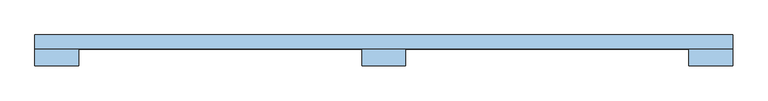
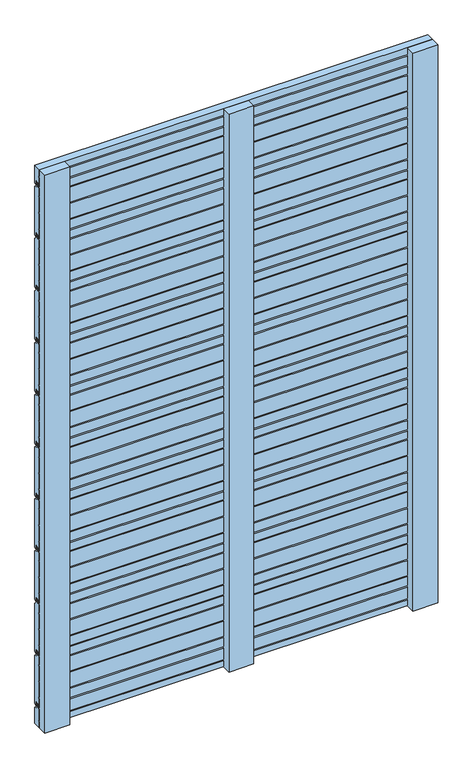
"""IFC4 building model written with IfcOpenShell, lengths in millimetres: window geometry."""

import ifcopenshell
import ifcopenshell.guid

model = None  # the IFC model being written
_history = None  # IfcOwnerHistory: only IFC2X3 demands one
_inside = {}  # id of a spatial element -> (the spatial element, [elements in it])
_under = {}  # id of a project, library or spatial element -> (it, [spatial elements below it])
_declared = {}  # id of a project -> (the project, [libraries it declares])
_typed = {}  # id of a type object -> (the type object, [elements of that type])
_made_of = {}  # id of a material, layer set ... -> (it, [elements and type objects made of it])


def new_model(schema):
    """Start an empty IFC model of exactly this schema.

    Asked for "IFC4X3", IfcOpenShell would pick the latest addendum, in which some entities
    have other attributes; the version numbers below select the first issue.
    IFC2X3 requires an IfcOwnerHistory on every rooted entity: one is made here for all.
    """
    global model, _history
    if schema == "IFC4X3":
        model = ifcopenshell.file(schema_version=(4, 3, 0, 0))
    else:
        model = ifcopenshell.file(schema=schema)
    _inside.clear()
    _under.clear()
    _declared.clear()
    _typed.clear()
    _made_of.clear()
    _history = None
    if model.schema == "IFC2X3":
        org = make("IfcOrganization", Name="unknown")
        user = make(
            "IfcPersonAndOrganization",
            ThePerson=make("IfcPerson", FamilyName="unknown"),
            TheOrganization=org,
        )
        app = make(
            "IfcApplication",
            ApplicationDeveloper=org,
            Version="unknown",
            ApplicationFullName="unknown",
            ApplicationIdentifier="unknown",
        )
        _history = make(
            "IfcOwnerHistory",
            OwningUser=user,
            OwningApplication=app,
            ChangeAction="ADDED",
            CreationDate=0,
        )
    return model


def make(cls, **values):
    """One entity of the class cls with the attributes given. An attribute that is None is left unset."""
    return model.create_entity(
        cls, **{name: value for name, value in values.items() if value is not None}
    )


def rooted(cls, **values):
    """An entity with a GlobalId (a new one), such as an element, a storey or a relation."""
    return make(cls, GlobalId=ifcopenshell.guid.new(), OwnerHistory=_history, **values)


def si_unit(unit_type, name, prefix=None):
    """IfcSIUnit, for example si_unit("LENGTHUNIT", "METRE", prefix="MILLI")."""
    return make("IfcSIUnit", UnitType=unit_type, Prefix=prefix, Name=name)


def assignment(units):
    """IfcUnitAssignment: the units of a project."""
    return None if units is None else make("IfcUnitAssignment", Units=units)


def point(xyz):
    """IfcCartesianPoint."""
    return None if xyz is None else make("IfcCartesianPoint", Coordinates=xyz)


def direction(xyz):
    """IfcDirection."""
    return None if xyz is None else make("IfcDirection", DirectionRatios=xyz)


def frame(location, z_axis=None, x_axis=None):
    """IfcAxis2Placement3D, a coordinate frame: its origin and axes. An axis left out is left unset."""
    return make(
        "IfcAxis2Placement3D",
        Location=point(location),
        Axis=direction(z_axis),
        RefDirection=direction(x_axis),
    )


def origin():
    """The frame at (0, 0, 0) with its axes left unset."""
    return frame((0.0, 0.0, 0.0))


def place(relative_to, where):
    """IfcLocalPlacement: puts the frame where relative to a parent placement (None: the world)."""
    return make(
        "IfcLocalPlacement", PlacementRelTo=relative_to, RelativePlacement=where
    )


def context(
    kind, dimensions, precision=None, world=None, true_north=None, identifier=None
):
    """IfcGeometricRepresentationContext, for example the 3D "Model" context."""
    return make(
        "IfcGeometricRepresentationContext",
        ContextIdentifier=identifier,
        ContextType=kind,
        CoordinateSpaceDimension=dimensions,
        Precision=precision,
        WorldCoordinateSystem=world,
        TrueNorth=true_north,
    )


def project(units=None, contexts=None):
    """IfcProject with its units and contexts."""
    return rooted(
        "IfcProject",
        Name="project",
        RepresentationContexts=contexts,
        UnitsInContext=assignment(units),
    )


def spatial(cls, under=None, at=None, **own):
    """A site, building, storey or space (cls), placed at a placement, below another one or the project."""
    s = rooted(cls, ObjectPlacement=at, **own)
    if under is not None:
        _under.setdefault(under.id(), (under, []))[1].append(s)
    return s


def polyline(points):
    """IfcPolyline through the points."""
    return make("IfcPolyline", Points=[point(p) for p in points])


def outline(outer, holes=None, kind="AREA"):
    """IfcArbitraryClosedProfileDef: a profile drawn as a closed curve; with holes, ...WithVoids."""
    if holes is None:
        return make("IfcArbitraryClosedProfileDef", ProfileType=kind, OuterCurve=outer)
    return make(
        "IfcArbitraryProfileDefWithVoids",
        ProfileType=kind,
        OuterCurve=outer,
        InnerCurves=holes,
    )


def extrude(swept, where, along, depth):
    """IfcExtrudedAreaSolid: the profile swept, set in the frame where, extruded along a direction by depth."""
    return make(
        "IfcExtrudedAreaSolid",
        SweptArea=swept,
        Position=where,
        ExtrudedDirection=direction(along),
        Depth=depth,
    )


def shape(context_of_items, identifier, shape_type, items):
    """IfcShapeRepresentation: the items that make up one representation, for example the "Body"."""
    return make(
        "IfcShapeRepresentation",
        ContextOfItems=context_of_items,
        RepresentationIdentifier=identifier,
        RepresentationType=shape_type,
        Items=items,
    )


def source(mapping_origin, context_of_items, identifier, shape_type, items):
    """IfcRepresentationMap: a shape defined once, which mapped items show again and again."""
    return make(
        "IfcRepresentationMap",
        MappingOrigin=mapping_origin,
        MappedRepresentation=shape(context_of_items, identifier, shape_type, items),
    )


def transform(
    local_origin,
    x_axis=None,
    y_axis=None,
    z_axis=None,
    scale=None,
    scale2=None,
    scale3=None,
    uniform=True,
):
    """IfcCartesianTransformationOperator3D, or its non-uniform kind. x_axis, y_axis, z_axis: its Axis1, 2, 3."""
    if uniform:
        return make(
            "IfcCartesianTransformationOperator3D",
            Axis1=direction(x_axis),
            Axis2=direction(y_axis),
            LocalOrigin=point(local_origin),
            Scale=scale,
            Axis3=direction(z_axis),
        )
    return make(
        "IfcCartesianTransformationOperator3DnonUniform",
        Axis1=direction(x_axis),
        Axis2=direction(y_axis),
        LocalOrigin=point(local_origin),
        Scale=scale,
        Axis3=direction(z_axis),
        Scale2=scale2,
        Scale3=scale3,
    )


def mapped(mapping_source, mapping_target):
    """IfcMappedItem: shows the shape of a source again, moved by a transform."""
    return make(
        "IfcMappedItem", MappingSource=mapping_source, MappingTarget=mapping_target
    )


def made_of(thing, what):
    """Note that an element or type object is made of a material, layer set ...; save() writes the relation."""
    if what is not None:
        _made_of.setdefault(what.id(), (what, []))[1].append(thing)
    return thing


def element(
    cls,
    number,
    at=None,
    inside=None,
    cuts=None,
    type_object=None,
    material=None,
    context=None,
    identifier="Body",
    shape_type=None,
    held_by="IfcProductDefinitionShape",
    body=None,
    shapes=None,
    **own,
):
    """One element of the class cls, such as IfcWall. Its Tag is "e" and its number.

    at: its placement. inside: the storey or other place that contains it. cuts: it is an
    opening in that element (IfcRelVoidsElement). A single representation is given by context,
    identifier, shape_type and body (its items); several are given by shapes. held_by: the class
    of the entity that holds the representations. save() writes the other relations.
    """
    e = rooted(cls, Tag="e%d" % number, ObjectPlacement=at, **own)
    if body is not None:
        shapes = [shape(context, identifier, shape_type, body)]
    if shapes is not None:
        e.Representation = make(held_by, Representations=shapes)
    if inside is not None:
        _inside.setdefault(inside.id(), (inside, []))[1].append(e)
    if cuts is not None:
        rooted(
            "IfcRelVoidsElement", RelatingBuildingElement=cuts, RelatedOpeningElement=e
        )
    if type_object is not None:
        _typed.setdefault(type_object.id(), (type_object, []))[1].append(e)
    return made_of(e, material)


def aggregate(whole, parts):
    """IfcRelAggregates: a whole, such as a stair, and the parts it consists of."""
    return rooted("IfcRelAggregates", RelatingObject=whole, RelatedObjects=parts)


def save(model, path):
    """Write the relations noted so far, then the file.

    IfcRelAggregates (storeys below a building ...), IfcRelContainedInSpatialStructure (elements
    in a storey), IfcRelDefinesByType, IfcRelAssociatesMaterial and IfcRelDeclares: one each for
    every whole, place, type object, material and project.
    """
    for whole, parts in _under.values():
        aggregate(whole, parts)
    for where, things in _inside.values():
        rooted(
            "IfcRelContainedInSpatialStructure",
            RelatedElements=things,
            RelatingStructure=where,
        )
    for kind, things in _typed.values():
        rooted("IfcRelDefinesByType", RelatedObjects=things, RelatingType=kind)
    for what, things in _made_of.values():
        rooted("IfcRelAssociatesMaterial", RelatedObjects=things, RelatingMaterial=what)
    for by, libraries in _declared.values():
        rooted("IfcRelDeclares", RelatingContext=by, RelatedDefinitions=libraries)
    model.write(path)


def window_ad089da8(model_context):
    return source(origin(), model_context, "Body", "SweptSolid", [
        extrude(outline(polyline([(50.0, 153.0), (47.0, 150.0), (43.0, 150.0), (43.0, 162.0), (37.0, 162.0), (37.0, 154.0), (30.0, 154.0), (30.0, 178.25), (36.0, 178.25), (36.0, 181.75), (30.0, 181.75), (30.0, 221.8110702), (36.0, 221.8110702), (36.0, 225.3110702), (30.0, 225.3110702), (30.0, 265.3721403), (36.0, 265.3721403), (36.0, 268.8721403), (30.0, 268.8721403), (30.0, 290.0), (37.0, 290.0), (37.0, 300.0), (43.0, 300.0), (43.0, 286.0), (47.0, 286.0), (50.0, 283.0), (50.0, 153.0)])), frame((-500.0, 0.0, 0.0), z_axis=(1.0, 0.0, 0.0), x_axis=(0.0, 1.0, 0.0)), (0.0, 0.0, 1.0), 1000.0),
        extrude(outline(polyline([(50.0, 293.0), (47.0, 290.0), (43.0, 290.0), (43.0, 302.0), (37.0, 302.0), (37.0, 294.0), (30.0, 294.0), (30.0, 318.25), (36.0, 318.25), (36.0, 321.75), (30.0, 321.75), (30.0, 361.8110702), (36.0, 361.8110702), (36.0, 365.3110702), (30.0, 365.3110702), (30.0, 405.3721403), (36.0, 405.3721403), (36.0, 408.8721403), (30.0, 408.8721403), (30.0, 430.0), (37.0, 430.0), (37.0, 440.0), (43.0, 440.0), (43.0, 426.0), (47.0, 426.0), (50.0, 423.0), (50.0, 293.0)])), frame((-500.0, 0.0, 0.0), z_axis=(1.0, 0.0, 0.0), x_axis=(0.0, 1.0, 0.0)), (0.0, 0.0, 1.0), 1000.0),
        extrude(outline(polyline([(50.0, 433.0), (47.0, 430.0), (43.0, 430.0), (43.0, 442.0), (37.0, 442.0), (37.0, 434.0), (30.0, 434.0), (30.0, 458.25), (36.0, 458.25), (36.0, 461.75), (30.0, 461.75), (30.0, 501.8110702), (36.0, 501.8110702), (36.0, 505.3110702), (30.0, 505.3110702), (30.0, 545.3721403), (36.0, 545.3721403), (36.0, 548.8721403), (30.0, 548.8721403), (30.0, 570.0), (37.0, 570.0), (37.0, 580.0), (43.0, 580.0), (43.0, 566.0), (47.0, 566.0), (50.0, 563.0), (50.0, 433.0)])), frame((-500.0, 0.0, 0.0), z_axis=(1.0, 0.0, 0.0), x_axis=(0.0, 1.0, 0.0)), (0.0, 0.0, 1.0), 1000.0),
        extrude(outline(polyline([(50.0, 573.0), (47.0, 570.0), (43.0, 570.0), (43.0, 582.0), (37.0, 582.0), (37.0, 574.0), (30.0, 574.0), (30.0, 598.25), (36.0, 598.25), (36.0, 601.75), (30.0, 601.75), (30.0, 641.8110702), (36.0, 641.8110702), (36.0, 645.3110702), (30.0, 645.3110702), (30.0, 685.3721403), (36.0, 685.3721403), (36.0, 688.8721403), (30.0, 688.8721403), (30.0, 710.0), (37.0, 710.0), (37.0, 720.0), (43.0, 720.0), (43.0, 706.0), (47.0, 706.0), (50.0, 703.0), (50.0, 573.0)])), frame((-500.0, 0.0, 0.0), z_axis=(1.0, 0.0, 0.0), x_axis=(0.0, 1.0, 0.0)), (0.0, 0.0, 1.0), 1000.0),
        extrude(outline(polyline([(50.0, 713.0), (47.0, 710.0), (43.0, 710.0), (43.0, 722.0), (37.0, 722.0), (37.0, 714.0), (30.0, 714.0), (30.0, 738.25), (36.0, 738.25), (36.0, 741.75), (30.0, 741.75), (30.0, 781.8110702), (36.0, 781.8110702), (36.0, 785.3110702), (30.0, 785.3110702), (30.0, 825.3721403), (36.0, 825.3721403), (36.0, 828.8721403), (30.0, 828.8721403), (30.0, 850.0), (37.0, 850.0), (37.0, 860.0), (43.0, 860.0), (43.0, 846.0), (47.0, 846.0), (50.0, 843.0), (50.0, 713.0)])), frame((-500.0, 0.0, 0.0), z_axis=(1.0, 0.0, 0.0), x_axis=(0.0, 1.0, 0.0)), (0.0, 0.0, 1.0), 1000.0),
        extrude(outline(polyline([(50.0, 853.0), (47.0, 850.0), (43.0, 850.0), (43.0, 862.0), (37.0, 862.0), (37.0, 854.0), (30.0, 854.0), (30.0, 878.25), (36.0, 878.25), (36.0, 881.75), (30.0, 881.75), (30.0, 921.8110702), (36.0, 921.8110702), (36.0, 925.3110702), (30.0, 925.3110702), (30.0, 965.3721403), (36.0, 965.3721403), (36.0, 968.8721403), (30.0, 968.8721403), (30.0, 990.0), (37.0, 990.0), (37.0, 1000.0), (43.0, 1000.0), (43.0, 986.0), (47.0, 986.0), (50.0, 983.0), (50.0, 853.0)])), frame((-500.0, 0.0, 0.0), z_axis=(1.0, 0.0, 0.0), x_axis=(0.0, 1.0, 0.0)), (0.0, 0.0, 1.0), 1000.0),
        extrude(outline(polyline([(50.0, 993.0), (47.0, 990.0), (43.0, 990.0), (43.0, 1002.0), (37.0, 1002.0), (37.0, 994.0), (30.0, 994.0), (30.0, 1018.25), (36.0, 1018.25), (36.0, 1021.75), (30.0, 1021.75), (30.0, 1061.8110702), (36.0, 1061.8110702), (36.0, 1065.3110702), (30.0, 1065.3110702), (30.0, 1105.3721403), (36.0, 1105.3721403), (36.0, 1108.8721403), (30.0, 1108.8721403), (30.0, 1130.0), (37.0, 1130.0), (37.0, 1140.0), (43.0, 1140.0), (43.0, 1126.0), (47.0, 1126.0), (50.0, 1123.0), (50.0, 993.0)])), frame((-500.0, 0.0, 0.0), z_axis=(1.0, 0.0, 0.0), x_axis=(0.0, 1.0, 0.0)), (0.0, 0.0, 1.0), 1000.0),
        extrude(outline(polyline([(50.0, 1133.0), (47.0, 1130.0), (43.0, 1130.0), (43.0, 1142.0), (37.0, 1142.0), (37.0, 1134.0), (30.0, 1134.0), (30.0, 1158.25), (36.0, 1158.25), (36.0, 1161.75), (30.0, 1161.75), (30.0, 1201.8110702), (36.0, 1201.8110702), (36.0, 1205.3110702), (30.0, 1205.3110702), (30.0, 1245.3721403), (36.0, 1245.3721403), (36.0, 1248.8721403), (30.0, 1248.8721403), (30.0, 1270.0), (37.0, 1270.0), (37.0, 1280.0), (43.0, 1280.0), (43.0, 1266.0), (47.0, 1266.0), (50.0, 1263.0), (50.0, 1133.0)])), frame((-500.0, 0.0, 0.0), z_axis=(1.0, 0.0, 0.0), x_axis=(0.0, 1.0, 0.0)), (0.0, 0.0, 1.0), 1000.0),
        extrude(outline(polyline([(50.0, 1273.0), (47.0, 1270.0), (43.0, 1270.0), (43.0, 1282.0), (37.0, 1282.0), (37.0, 1274.0), (30.0, 1274.0), (30.0, 1298.25), (36.0, 1298.25), (36.0, 1301.75), (30.0, 1301.75), (30.0, 1341.8110702), (36.0, 1341.8110702), (36.0, 1345.3110702), (30.0, 1345.3110702), (30.0, 1385.3721403), (36.0, 1385.3721403), (36.0, 1388.8721403), (30.0, 1388.8721403), (30.0, 1410.0), (37.0, 1410.0), (37.0, 1420.0), (43.0, 1420.0), (43.0, 1406.0), (47.0, 1406.0), (50.0, 1403.0), (50.0, 1273.0)])), frame((-500.0, 0.0, 0.0), z_axis=(1.0, 0.0, 0.0), x_axis=(0.0, 1.0, 0.0)), (0.0, 0.0, 1.0), 1000.0),
        extrude(outline(polyline([(50.0, 1413.0), (47.0, 1410.0), (43.0, 1410.0), (43.0, 1422.0), (37.0, 1422.0), (37.0, 1414.0), (30.0, 1414.0), (30.0, 1438.25), (36.0, 1438.25), (36.0, 1441.75), (30.0, 1441.75), (30.0, 1481.8110702), (36.0, 1481.8110702), (36.0, 1485.3110702), (30.0, 1485.3110702), (30.0, 1525.3721403), (36.0, 1525.3721403), (36.0, 1528.8721403), (30.0, 1528.8721403), (30.0, 1550.0), (37.0, 1550.0), (37.0, 1560.0), (43.0, 1560.0), (43.0, 1546.0), (47.0, 1546.0), (50.0, 1543.0), (50.0, 1413.0)])), frame((-500.0, 0.0, 0.0), z_axis=(1.0, 0.0, 0.0), x_axis=(0.0, 1.0, 0.0)), (0.0, 0.0, 1.0), 1000.0),
        extrude(outline(polyline([(50.0, 100.0), (30.0, 100.0), (30.0, 115.3721403), (36.0, 115.3721403), (36.0, 118.8721403), (30.0, 118.8721403), (30.0, 150.0), (37.0, 150.0), (37.0, 160.0), (43.0, 160.0), (43.0, 146.0), (47.0, 146.0), (50.0, 143.0), (50.0, 100.0)])), frame((-500.0, 0.0, 0.0), z_axis=(1.0, 0.0, 0.0), x_axis=(0.0, 1.0, 0.0)), (0.0, 0.0, 1.0), 1000.0),
        extrude(outline(polyline([(50.0, 1553.0), (47.0, 1550.0), (43.0, 1550.0), (43.0, 1562.0), (37.0, 1562.0), (37.0, 1554.0), (30.0, 1554.0), (30.0, 1578.25), (36.0, 1578.25), (36.0, 1581.75), (30.0, 1581.75), (30.0, 1600.0), (50.0, 1600.0), (50.0, 1553.0)])), frame((-500.0, 0.0, 0.0), z_axis=(1.0, 0.0, 0.0), x_axis=(0.0, 1.0, 0.0)), (0.0, 0.0, 1.0), 1000.0),
        extrude(outline(polyline([(-31.5, 30.1), (31.5, 30.1), (31.5, 6.1), (-31.5, 6.1), (-31.5, 30.1)])), frame((0.0, 0.0, 100.0), z_axis=(0.0, 0.0, 1.0), x_axis=(1.0, 0.0, 0.0)), (0.0, 0.0, 1.0), 1500.0),
        extrude(outline(polyline([(-500.0, 30.0), (-437.0, 30.0), (-437.0, 6.0), (-500.0, 6.0), (-500.0, 30.0)])), frame((0.0, 0.0, 100.0), z_axis=(0.0, 0.0, 1.0), x_axis=(1.0, 0.0, 0.0)), (0.0, 0.0, 1.0), 1500.0),
        extrude(outline(polyline([(437.0, 30.0), (500.0, 30.0), (500.0, 6.0), (437.0, 6.0), (437.0, 30.0)])), frame((0.0, 0.0, 100.0), z_axis=(0.0, 0.0, 1.0), x_axis=(1.0, 0.0, 0.0)), (0.0, 0.0, 1.0), 1500.0),
    ])


if __name__ == "__main__":
    model = new_model("IFC4")
    model_context = context("Model", 3, world=origin())
    ifc_project = project(units=[si_unit("LENGTHUNIT", "METRE", prefix="MILLI")], contexts=[model_context])
    site = spatial("IfcSite", under=ifc_project)
    building = spatial("IfcBuilding", under=site)
    placement = place(None, origin())
    window_shape = window_ad089da8(model_context)
    element("IfcWindow", 1, at=placement, inside=building, context=model_context, shape_type="MappedRepresentation", body=[
        mapped(window_shape, transform((0.0, 0.0, 0.0), x_axis=(1.0, 0.0, 0.0), y_axis=(0.0, 1.0, 0.0), z_axis=(0.0, 0.0, 1.0))),
    ])
    save(model, "model.ifc")
